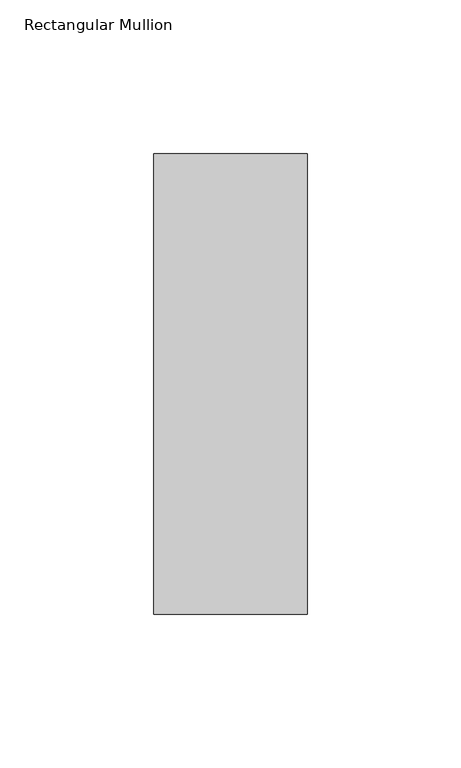
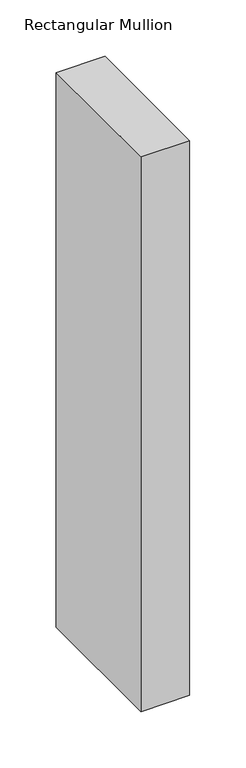
"""IFC4 building model written with IfcOpenShell, lengths in millimetres: member geometry, Rectangular Mullion."""

import ifcopenshell
import ifcopenshell.guid

model = None  # the IFC model being written
_history = None  # IfcOwnerHistory: only IFC2X3 demands one
_inside = {}  # id of a spatial element -> (the spatial element, [elements in it])
_under = {}  # id of a project, library or spatial element -> (it, [spatial elements below it])
_declared = {}  # id of a project -> (the project, [libraries it declares])
_typed = {}  # id of a type object -> (the type object, [elements of that type])
_made_of = {}  # id of a material, layer set ... -> (it, [elements and type objects made of it])


def new_model(schema):
    """Start an empty IFC model of exactly this schema.

    Asked for "IFC4X3", IfcOpenShell would pick the latest addendum, in which some entities
    have other attributes; the version numbers below select the first issue.
    IFC2X3 requires an IfcOwnerHistory on every rooted entity: one is made here for all.
    """
    global model, _history
    if schema == "IFC4X3":
        model = ifcopenshell.file(schema_version=(4, 3, 0, 0))
    else:
        model = ifcopenshell.file(schema=schema)
    _inside.clear()
    _under.clear()
    _declared.clear()
    _typed.clear()
    _made_of.clear()
    _history = None
    if model.schema == "IFC2X3":
        org = make("IfcOrganization", Name="unknown")
        user = make(
            "IfcPersonAndOrganization",
            ThePerson=make("IfcPerson", FamilyName="unknown"),
            TheOrganization=org,
        )
        app = make(
            "IfcApplication",
            ApplicationDeveloper=org,
            Version="unknown",
            ApplicationFullName="unknown",
            ApplicationIdentifier="unknown",
        )
        _history = make(
            "IfcOwnerHistory",
            OwningUser=user,
            OwningApplication=app,
            ChangeAction="ADDED",
            CreationDate=0,
        )
    return model


def make(cls, **values):
    """One entity of the class cls with the attributes given. An attribute that is None is left unset."""
    return model.create_entity(
        cls, **{name: value for name, value in values.items() if value is not None}
    )


def rooted(cls, **values):
    """An entity with a GlobalId (a new one), such as an element, a storey or a relation."""
    return make(cls, GlobalId=ifcopenshell.guid.new(), OwnerHistory=_history, **values)


def si_unit(unit_type, name, prefix=None):
    """IfcSIUnit, for example si_unit("LENGTHUNIT", "METRE", prefix="MILLI")."""
    return make("IfcSIUnit", UnitType=unit_type, Prefix=prefix, Name=name)


def assignment(units):
    """IfcUnitAssignment: the units of a project."""
    return None if units is None else make("IfcUnitAssignment", Units=units)


def point(xyz):
    """IfcCartesianPoint."""
    return None if xyz is None else make("IfcCartesianPoint", Coordinates=xyz)


def direction(xyz):
    """IfcDirection."""
    return None if xyz is None else make("IfcDirection", DirectionRatios=xyz)


def frame(location, z_axis=None, x_axis=None):
    """IfcAxis2Placement3D, a coordinate frame: its origin and axes. An axis left out is left unset."""
    return make(
        "IfcAxis2Placement3D",
        Location=point(location),
        Axis=direction(z_axis),
        RefDirection=direction(x_axis),
    )


def origin():
    """The frame at (0, 0, 0) with its axes left unset."""
    return frame((0.0, 0.0, 0.0))


def place(relative_to, where):
    """IfcLocalPlacement: puts the frame where relative to a parent placement (None: the world)."""
    return make(
        "IfcLocalPlacement", PlacementRelTo=relative_to, RelativePlacement=where
    )


def context(
    kind, dimensions, precision=None, world=None, true_north=None, identifier=None
):
    """IfcGeometricRepresentationContext, for example the 3D "Model" context."""
    return make(
        "IfcGeometricRepresentationContext",
        ContextIdentifier=identifier,
        ContextType=kind,
        CoordinateSpaceDimension=dimensions,
        Precision=precision,
        WorldCoordinateSystem=world,
        TrueNorth=true_north,
    )


def project(units=None, contexts=None):
    """IfcProject with its units and contexts."""
    return rooted(
        "IfcProject",
        Name="project",
        RepresentationContexts=contexts,
        UnitsInContext=assignment(units),
    )


def spatial(cls, under=None, at=None, **own):
    """A site, building, storey or space (cls), placed at a placement, below another one or the project."""
    s = rooted(cls, ObjectPlacement=at, **own)
    if under is not None:
        _under.setdefault(under.id(), (under, []))[1].append(s)
    return s


def polyline(points):
    """IfcPolyline through the points."""
    return make("IfcPolyline", Points=[point(p) for p in points])


def outline(outer, holes=None, kind="AREA"):
    """IfcArbitraryClosedProfileDef: a profile drawn as a closed curve; with holes, ...WithVoids."""
    if holes is None:
        return make("IfcArbitraryClosedProfileDef", ProfileType=kind, OuterCurve=outer)
    return make(
        "IfcArbitraryProfileDefWithVoids",
        ProfileType=kind,
        OuterCurve=outer,
        InnerCurves=holes,
    )


def extrude(swept, where, along, depth):
    """IfcExtrudedAreaSolid: the profile swept, set in the frame where, extruded along a direction by depth."""
    return make(
        "IfcExtrudedAreaSolid",
        SweptArea=swept,
        Position=where,
        ExtrudedDirection=direction(along),
        Depth=depth,
    )


def shape(context_of_items, identifier, shape_type, items):
    """IfcShapeRepresentation: the items that make up one representation, for example the "Body"."""
    return make(
        "IfcShapeRepresentation",
        ContextOfItems=context_of_items,
        RepresentationIdentifier=identifier,
        RepresentationType=shape_type,
        Items=items,
    )


def source(mapping_origin, context_of_items, identifier, shape_type, items):
    """IfcRepresentationMap: a shape defined once, which mapped items show again and again."""
    return make(
        "IfcRepresentationMap",
        MappingOrigin=mapping_origin,
        MappedRepresentation=shape(context_of_items, identifier, shape_type, items),
    )


def transform(
    local_origin,
    x_axis=None,
    y_axis=None,
    z_axis=None,
    scale=None,
    scale2=None,
    scale3=None,
    uniform=True,
):
    """IfcCartesianTransformationOperator3D, or its non-uniform kind. x_axis, y_axis, z_axis: its Axis1, 2, 3."""
    if uniform:
        return make(
            "IfcCartesianTransformationOperator3D",
            Axis1=direction(x_axis),
            Axis2=direction(y_axis),
            LocalOrigin=point(local_origin),
            Scale=scale,
            Axis3=direction(z_axis),
        )
    return make(
        "IfcCartesianTransformationOperator3DnonUniform",
        Axis1=direction(x_axis),
        Axis2=direction(y_axis),
        LocalOrigin=point(local_origin),
        Scale=scale,
        Axis3=direction(z_axis),
        Scale2=scale2,
        Scale3=scale3,
    )


def mapped(mapping_source, mapping_target):
    """IfcMappedItem: shows the shape of a source again, moved by a transform."""
    return make(
        "IfcMappedItem", MappingSource=mapping_source, MappingTarget=mapping_target
    )


def made_of(thing, what):
    """Note that an element or type object is made of a material, layer set ...; save() writes the relation."""
    if what is not None:
        _made_of.setdefault(what.id(), (what, []))[1].append(thing)
    return thing


def element(
    cls,
    number,
    at=None,
    inside=None,
    cuts=None,
    type_object=None,
    material=None,
    context=None,
    identifier="Body",
    shape_type=None,
    held_by="IfcProductDefinitionShape",
    body=None,
    shapes=None,
    **own,
):
    """One element of the class cls, such as IfcWall. Its Tag is "e" and its number.

    at: its placement. inside: the storey or other place that contains it. cuts: it is an
    opening in that element (IfcRelVoidsElement). A single representation is given by context,
    identifier, shape_type and body (its items); several are given by shapes. held_by: the class
    of the entity that holds the representations. save() writes the other relations.
    """
    e = rooted(cls, Tag="e%d" % number, ObjectPlacement=at, **own)
    if body is not None:
        shapes = [shape(context, identifier, shape_type, body)]
    if shapes is not None:
        e.Representation = make(held_by, Representations=shapes)
    if inside is not None:
        _inside.setdefault(inside.id(), (inside, []))[1].append(e)
    if cuts is not None:
        rooted(
            "IfcRelVoidsElement", RelatingBuildingElement=cuts, RelatedOpeningElement=e
        )
    if type_object is not None:
        _typed.setdefault(type_object.id(), (type_object, []))[1].append(e)
    return made_of(e, material)


def aggregate(whole, parts):
    """IfcRelAggregates: a whole, such as a stair, and the parts it consists of."""
    return rooted("IfcRelAggregates", RelatingObject=whole, RelatedObjects=parts)


def save(model, path):
    """Write the relations noted so far, then the file.

    IfcRelAggregates (storeys below a building ...), IfcRelContainedInSpatialStructure (elements
    in a storey), IfcRelDefinesByType, IfcRelAssociatesMaterial and IfcRelDeclares: one each for
    every whole, place, type object, material and project.
    """
    for whole, parts in _under.values():
        aggregate(whole, parts)
    for where, things in _inside.values():
        rooted(
            "IfcRelContainedInSpatialStructure",
            RelatedElements=things,
            RelatingStructure=where,
        )
    for kind, things in _typed.values():
        rooted("IfcRelDefinesByType", RelatedObjects=things, RelatingType=kind)
    for what, things in _made_of.values():
        rooted("IfcRelAssociatesMaterial", RelatedObjects=things, RelatingMaterial=what)
    for by, libraries in _declared.values():
        rooted("IfcRelDeclares", RelatingContext=by, RelatedDefinitions=libraries)
    model.write(path)


def rectangular_mullion_64d38db8(model_context):
    return source(origin(), model_context, "Body", "SweptSolid", [
        extrude(outline(polyline([(0.0, 75.0), (0.0, -75.0), (-50.0, -75.0), (-50.0, 75.0), (0.0, 75.0)])), frame((0.0, 0.0, -600.0), z_axis=(0.0, 0.0, 1.0), x_axis=(1.0, 0.0, 0.0)), (0.0, 0.0, 1.0), 600.0),
    ])


if __name__ == "__main__":
    model = new_model("IFC4")
    model_context = context("Model", 3, world=origin())
    ifc_project = project(units=[si_unit("LENGTHUNIT", "METRE", prefix="MILLI")], contexts=[model_context])
    site = spatial("IfcSite", under=ifc_project)
    building = spatial("IfcBuilding", under=site)
    placement = place(None, origin())
    rectangular_mullion_shape = rectangular_mullion_64d38db8(model_context)
    element("IfcMember", 1, ObjectType="Rectangular Mullion", at=placement, inside=building, context=model_context, shape_type="MappedRepresentation", body=[
        mapped(rectangular_mullion_shape, transform((0.0, 0.0, 0.0), x_axis=(1.0, 0.0, 0.0), y_axis=(0.0, 1.0, 0.0), z_axis=(0.0, 0.0, 1.0))),
    ])
    save(model, "model.ifc")
